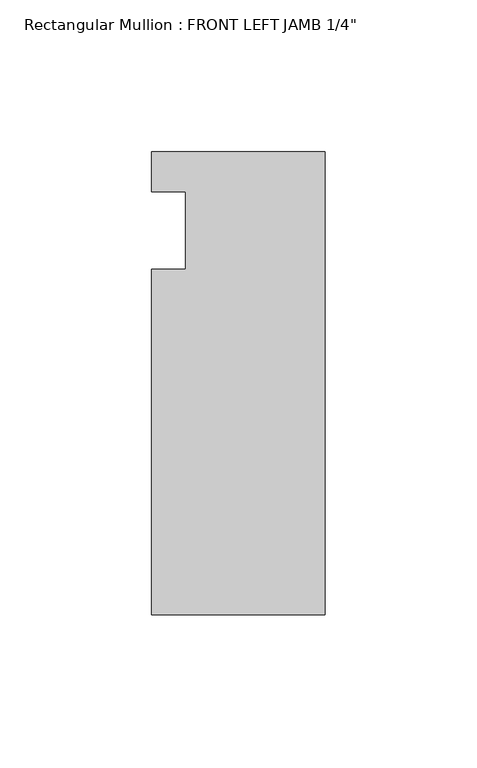
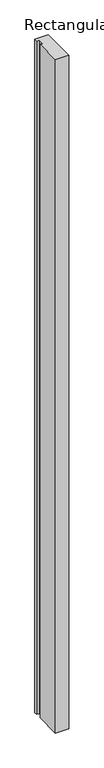
"""IFC4 building model written with IfcOpenShell, lengths in millimetres: member geometry."""

from ifc_helpers import new_model, si_unit, frame, origin, place, context, project, spatial, polyline, outline, extrude, source, transform, mapped, element, save


def member_083771d8(model_context):
    return source(origin(), model_context, "Body", "SweptSolid", [
        extrude(outline(polyline([(-57.15, 32.2460937), (0.0, 32.2460938), (0.0, -120.1539062), (-57.15, -120.1539063), (-57.15, -6.3492063), (-46.0375, -6.3492063), (-46.0375, 19.0507937), (-57.15, 19.0507937), (-57.15, 32.2460937)])), frame((0.0, 0.0, -3048.0), z_axis=(0.0, 0.0, 1.0), x_axis=(1.0, 0.0, 0.0)), (0.0, 0.0, 1.0), 3048.0),
    ])


if __name__ == "__main__":
    model = new_model("IFC4")
    model_context = context("Model", 3, world=origin())
    ifc_project = project(units=[si_unit("LENGTHUNIT", "METRE", prefix="MILLI")], contexts=[model_context])
    site = spatial("IfcSite", under=ifc_project)
    building = spatial("IfcBuilding", under=site)
    placement = place(None, origin())
    member_shape = member_083771d8(model_context)
    element("IfcMember", 1, ObjectType="Rectangular Mullion : FRONT LEFT JAMB 1/4\"", at=placement, inside=building, context=model_context, shape_type="MappedRepresentation", body=[
        mapped(member_shape, transform((0.0, 0.0, 0.0), x_axis=(1.0, 0.0, 0.0), y_axis=(0.0, 1.0, 0.0), z_axis=(0.0, 0.0, 1.0))),
    ])
    save(model, "model.ifc")
